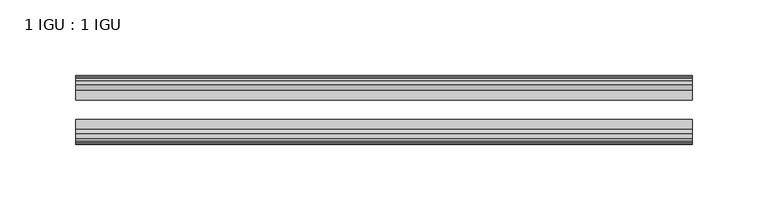
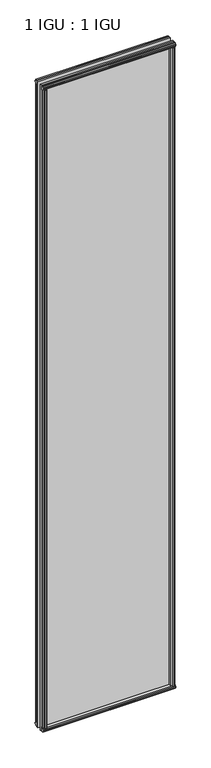
"""IFC4 building model written with IfcOpenShell, lengths in millimetres: plate geometry, 1 IGU : 1 IGU."""

from ifc_helpers import new_model, si_unit, frame, origin, origin_with_axes, place, context, project, spatial, polyline, outline, extrude, source, transform, mapped, element, save


def plate_1_igu_1_igu_0c29db6d(model_context):
    return source(origin(), model_context, "Body", "SweptSolid", [
        extrude(outline(polyline([(188.8715546, -19.5460937), (190.9768317, -13.1960937), (196.1840261, -13.1960937), (196.5650261, -10.8158968), (195.1494971, -11.27583), (195.1494971, -10.4746158), (197.3270261, -9.7670937), (199.5045552, -10.4746158), (199.5045552, -11.27583), (198.0890261, -10.8158968), (198.4700261, -13.1960937), (202.9150261, -13.1960937), (202.9150261, -16.1419073), (200.7019486, -19.5460937), (188.8715546, -19.5460937)])), origin_with_axes(), (0.0, 0.0, 1.0), 2070.1),
        extrude(outline(polyline([(-188.8715546, -19.5460937), (-200.7019486, -19.5460937), (-202.9150261, -16.1419073), (-202.9150261, -13.1960937), (-198.4700261, -13.1960937), (-198.0890261, -10.8158968), (-199.5045552, -11.27583), (-199.5045552, -10.4746158), (-197.3270261, -9.7670937), (-195.1494971, -10.4746158), (-195.1494971, -11.27583), (-196.5650261, -10.8158968), (-196.1840261, -13.1960937), (-190.9768317, -13.1960937), (-188.8715546, -19.5460937)])), origin_with_axes(), (0.0, 0.0, 1.0), 2070.1),
        extrude(outline(polyline([(-16.1419073, -12.4576852), (-19.5460937, -10.2446077), (-19.5460937, 1.5857863), (-13.1960937, -0.5194908), (-13.1960937, -5.7266852), (-10.8158968, -6.1076852), (-11.27583, -4.6921562), (-10.4746158, -4.6921562), (-9.7670937, -6.8696852), (-10.4746158, -9.0472143), (-11.27583, -9.0472143), (-10.8158968, -7.6316852), (-13.1960937, -8.0126852), (-13.1960937, -12.4576852), (-16.1419073, -12.4576852)])), frame((-203.1573409, 0.0, 0.0), z_axis=(1.0, 0.0, 0.0), x_axis=(0.0, 1.0, 0.0)), (0.0, 0.0, 1.0), 406.3146818),
        extrude(outline(polyline([(-48.3502802, -11.938), (-51.2960937, -11.938), (-51.2960937, -7.493), (-53.6762907, -7.112), (-53.2163575, -8.5275291), (-54.0175717, -8.5275291), (-54.7250937, -6.35), (-54.0175717, -4.172471), (-53.2163575, -4.172471), (-53.6762907, -5.588), (-51.2960937, -5.207), (-51.2960937, 0.0001944), (-44.9460937, 2.1054715), (-44.9460937, -9.7249225), (-48.3502802, -11.938)])), frame((-203.1573409, 0.0, 0.0), z_axis=(1.0, 0.0, 0.0), x_axis=(0.0, 1.0, 0.0)), (0.0, 0.0, 1.0), 406.3146818),
        extrude(outline(polyline([(-16.1028367, 2082.5576852), (-13.1960937, 2082.5576852), (-13.1960937, 2078.1126852), (-10.8158968, 2077.7316852), (-11.27583, 2079.1472143), (-10.4746158, 2079.1472143), (-9.7670937, 2076.9696852), (-10.4746158, 2074.7921562), (-11.27583, 2074.7921562), (-10.8158968, 2076.2076852), (-13.1960937, 2075.8266852), (-13.1960937, 2070.5940908), (-19.5460937, 2068.4888137), (-19.5460937, 2080.3192077), (-16.1028367, 2082.5576852)])), frame((-203.1573409, 0.0, 0.0), z_axis=(1.0, 0.0, 0.0), x_axis=(0.0, 1.0, 0.0)), (0.0, 0.0, 1.0), 406.3146818),
        extrude(outline(polyline([(-48.3893508, 2082.0126), (-44.9460937, 2079.7741225), (-44.9460937, 2067.9437285), (-51.2960937, 2070.0490056), (-51.2960937, 2075.2816), (-53.6762907, 2075.6626), (-53.2163575, 2074.2470709), (-54.0175717, 2074.2470709), (-54.7250938, 2076.4246), (-54.0175717, 2078.602129), (-53.2163575, 2078.602129), (-53.6762907, 2077.1866), (-51.2960937, 2077.5676), (-51.2960937, 2082.0126), (-48.3893508, 2082.0126)])), frame((-203.1573409, 0.0, 0.0), z_axis=(1.0, 0.0, 0.0), x_axis=(0.0, 1.0, 0.0)), (0.0, 0.0, 1.0), 406.3146818),
        extrude(outline(polyline([(-188.3518694, -44.9460938), (-190.4571465, -51.2960938), (-195.6643409, -51.2960938), (-196.0453409, -53.6762907), (-194.6298119, -53.2163575), (-194.6298119, -54.0175717), (-196.8073409, -54.7250938), (-198.98487, -54.0175717), (-198.98487, -53.2163575), (-197.5693409, -53.6762907), (-197.9503409, -51.2960938), (-202.3953409, -51.2960938), (-202.3953409, -48.3502802), (-200.1822634, -44.9460938), (-188.3518694, -44.9460938)])), origin_with_axes(), (0.0, 0.0, 1.0), 2070.1),
        extrude(outline(polyline([(188.3518694, -44.9460938), (200.1822634, -44.9460938), (202.3953409, -48.3502802), (202.3953409, -51.2960938), (197.9503409, -51.2960938), (197.5693409, -53.6762907), (198.98487, -53.2163575), (198.98487, -54.0175717), (196.8073409, -54.7250938), (194.6298119, -54.0175717), (194.6298119, -53.2163575), (196.0453409, -53.6762907), (195.6643409, -51.2960938), (190.4571465, -51.2960938), (188.3518694, -44.9460938)])), origin_with_axes(), (0.0, 0.0, 1.0), 2070.1),
        extrude(outline(polyline([(203.1573409, -19.5460937), (203.1573409, -25.8337453), (-203.1573409, -25.8337453), (-203.1573409, -19.5460937), (203.1573409, -19.5460937)])), frame((0.0, 0.0, -12.7), z_axis=(0.0, 0.0, 1.0), x_axis=(1.0, 0.0, 0.0)), (0.0, 0.0, 1.0), 2095.4872998),
        extrude(outline(polyline([(-203.1573409, -44.9460937), (-203.1573409, -38.6468938), (203.1573409, -38.6468938), (203.1573409, -44.9460937), (-203.1573409, -44.9460937)])), frame((0.0, 0.0, -12.7), z_axis=(0.0, 0.0, 1.0), x_axis=(1.0, 0.0, 0.0)), (0.0, 0.0, 1.0), 2095.4872998),
    ])


if __name__ == "__main__":
    model = new_model("IFC4")
    model_context = context("Model", 3, world=origin())
    ifc_project = project(units=[si_unit("LENGTHUNIT", "METRE", prefix="MILLI")], contexts=[model_context])
    site = spatial("IfcSite", under=ifc_project)
    building = spatial("IfcBuilding", under=site)
    placement = place(None, origin())
    plate_1_igu_1_igu_shape = plate_1_igu_1_igu_0c29db6d(model_context)
    element("IfcPlate", 1, ObjectType="1 IGU : 1 IGU", at=placement, inside=building, context=model_context, shape_type="MappedRepresentation", body=[
        mapped(plate_1_igu_1_igu_shape, transform((0.0, 0.0, 0.0), x_axis=(1.0, 0.0, 0.0), y_axis=(0.0, 1.0, 0.0), z_axis=(0.0, 0.0, 1.0))),
    ])
    save(model, "model.ifc")
